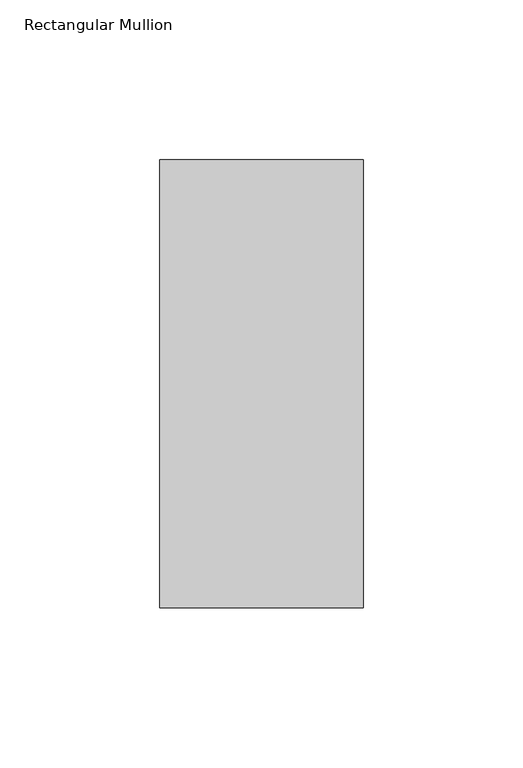
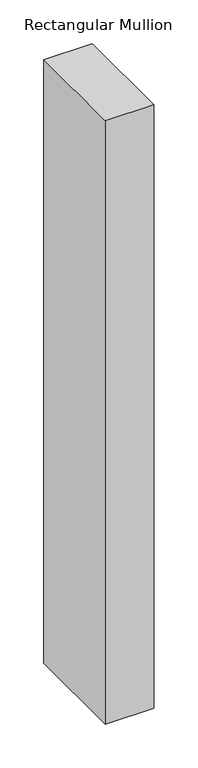
"""IFC4 building model written with IfcOpenShell, lengths in millimetres: member geometry, Rectangular Mullion."""

import ifcopenshell
import ifcopenshell.guid

model = None  # the IFC model being written
_history = None  # IfcOwnerHistory: only IFC2X3 demands one
_inside = {}  # id of a spatial element -> (the spatial element, [elements in it])
_under = {}  # id of a project, library or spatial element -> (it, [spatial elements below it])
_declared = {}  # id of a project -> (the project, [libraries it declares])
_typed = {}  # id of a type object -> (the type object, [elements of that type])
_made_of = {}  # id of a material, layer set ... -> (it, [elements and type objects made of it])


def new_model(schema):
    """Start an empty IFC model of exactly this schema.

    Asked for "IFC4X3", IfcOpenShell would pick the latest addendum, in which some entities
    have other attributes; the version numbers below select the first issue.
    IFC2X3 requires an IfcOwnerHistory on every rooted entity: one is made here for all.
    """
    global model, _history
    if schema == "IFC4X3":
        model = ifcopenshell.file(schema_version=(4, 3, 0, 0))
    else:
        model = ifcopenshell.file(schema=schema)
    _inside.clear()
    _under.clear()
    _declared.clear()
    _typed.clear()
    _made_of.clear()
    _history = None
    if model.schema == "IFC2X3":
        org = make("IfcOrganization", Name="unknown")
        user = make(
            "IfcPersonAndOrganization",
            ThePerson=make("IfcPerson", FamilyName="unknown"),
            TheOrganization=org,
        )
        app = make(
            "IfcApplication",
            ApplicationDeveloper=org,
            Version="unknown",
            ApplicationFullName="unknown",
            ApplicationIdentifier="unknown",
        )
        _history = make(
            "IfcOwnerHistory",
            OwningUser=user,
            OwningApplication=app,
            ChangeAction="ADDED",
            CreationDate=0,
        )
    return model


def make(cls, **values):
    """One entity of the class cls with the attributes given. An attribute that is None is left unset."""
    return model.create_entity(
        cls, **{name: value for name, value in values.items() if value is not None}
    )


def rooted(cls, **values):
    """An entity with a GlobalId (a new one), such as an element, a storey or a relation."""
    return make(cls, GlobalId=ifcopenshell.guid.new(), OwnerHistory=_history, **values)


def si_unit(unit_type, name, prefix=None):
    """IfcSIUnit, for example si_unit("LENGTHUNIT", "METRE", prefix="MILLI")."""
    return make("IfcSIUnit", UnitType=unit_type, Prefix=prefix, Name=name)


def assignment(units):
    """IfcUnitAssignment: the units of a project."""
    return None if units is None else make("IfcUnitAssignment", Units=units)


def point(xyz):
    """IfcCartesianPoint."""
    return None if xyz is None else make("IfcCartesianPoint", Coordinates=xyz)


def direction(xyz):
    """IfcDirection."""
    return None if xyz is None else make("IfcDirection", DirectionRatios=xyz)


def frame(location, z_axis=None, x_axis=None):
    """IfcAxis2Placement3D, a coordinate frame: its origin and axes. An axis left out is left unset."""
    return make(
        "IfcAxis2Placement3D",
        Location=point(location),
        Axis=direction(z_axis),
        RefDirection=direction(x_axis),
    )


def origin():
    """The frame at (0, 0, 0) with its axes left unset."""
    return frame((0.0, 0.0, 0.0))


def place(relative_to, where):
    """IfcLocalPlacement: puts the frame where relative to a parent placement (None: the world)."""
    return make(
        "IfcLocalPlacement", PlacementRelTo=relative_to, RelativePlacement=where
    )


def context(
    kind, dimensions, precision=None, world=None, true_north=None, identifier=None
):
    """IfcGeometricRepresentationContext, for example the 3D "Model" context."""
    return make(
        "IfcGeometricRepresentationContext",
        ContextIdentifier=identifier,
        ContextType=kind,
        CoordinateSpaceDimension=dimensions,
        Precision=precision,
        WorldCoordinateSystem=world,
        TrueNorth=true_north,
    )


def project(units=None, contexts=None):
    """IfcProject with its units and contexts."""
    return rooted(
        "IfcProject",
        Name="project",
        RepresentationContexts=contexts,
        UnitsInContext=assignment(units),
    )


def spatial(cls, under=None, at=None, **own):
    """A site, building, storey or space (cls), placed at a placement, below another one or the project."""
    s = rooted(cls, ObjectPlacement=at, **own)
    if under is not None:
        _under.setdefault(under.id(), (under, []))[1].append(s)
    return s


def polyline(points):
    """IfcPolyline through the points."""
    return make("IfcPolyline", Points=[point(p) for p in points])


def outline(outer, holes=None, kind="AREA"):
    """IfcArbitraryClosedProfileDef: a profile drawn as a closed curve; with holes, ...WithVoids."""
    if holes is None:
        return make("IfcArbitraryClosedProfileDef", ProfileType=kind, OuterCurve=outer)
    return make(
        "IfcArbitraryProfileDefWithVoids",
        ProfileType=kind,
        OuterCurve=outer,
        InnerCurves=holes,
    )


def extrude(swept, where, along, depth):
    """IfcExtrudedAreaSolid: the profile swept, set in the frame where, extruded along a direction by depth."""
    return make(
        "IfcExtrudedAreaSolid",
        SweptArea=swept,
        Position=where,
        ExtrudedDirection=direction(along),
        Depth=depth,
    )


def shape(context_of_items, identifier, shape_type, items):
    """IfcShapeRepresentation: the items that make up one representation, for example the "Body"."""
    return make(
        "IfcShapeRepresentation",
        ContextOfItems=context_of_items,
        RepresentationIdentifier=identifier,
        RepresentationType=shape_type,
        Items=items,
    )


def source(mapping_origin, context_of_items, identifier, shape_type, items):
    """IfcRepresentationMap: a shape defined once, which mapped items show again and again."""
    return make(
        "IfcRepresentationMap",
        MappingOrigin=mapping_origin,
        MappedRepresentation=shape(context_of_items, identifier, shape_type, items),
    )


def transform(
    local_origin,
    x_axis=None,
    y_axis=None,
    z_axis=None,
    scale=None,
    scale2=None,
    scale3=None,
    uniform=True,
):
    """IfcCartesianTransformationOperator3D, or its non-uniform kind. x_axis, y_axis, z_axis: its Axis1, 2, 3."""
    if uniform:
        return make(
            "IfcCartesianTransformationOperator3D",
            Axis1=direction(x_axis),
            Axis2=direction(y_axis),
            LocalOrigin=point(local_origin),
            Scale=scale,
            Axis3=direction(z_axis),
        )
    return make(
        "IfcCartesianTransformationOperator3DnonUniform",
        Axis1=direction(x_axis),
        Axis2=direction(y_axis),
        LocalOrigin=point(local_origin),
        Scale=scale,
        Axis3=direction(z_axis),
        Scale2=scale2,
        Scale3=scale3,
    )


def mapped(mapping_source, mapping_target):
    """IfcMappedItem: shows the shape of a source again, moved by a transform."""
    return make(
        "IfcMappedItem", MappingSource=mapping_source, MappingTarget=mapping_target
    )


def made_of(thing, what):
    """Note that an element or type object is made of a material, layer set ...; save() writes the relation."""
    if what is not None:
        _made_of.setdefault(what.id(), (what, []))[1].append(thing)
    return thing


def element(
    cls,
    number,
    at=None,
    inside=None,
    cuts=None,
    type_object=None,
    material=None,
    context=None,
    identifier="Body",
    shape_type=None,
    held_by="IfcProductDefinitionShape",
    body=None,
    shapes=None,
    **own,
):
    """One element of the class cls, such as IfcWall. Its Tag is "e" and its number.

    at: its placement. inside: the storey or other place that contains it. cuts: it is an
    opening in that element (IfcRelVoidsElement). A single representation is given by context,
    identifier, shape_type and body (its items); several are given by shapes. held_by: the class
    of the entity that holds the representations. save() writes the other relations.
    """
    e = rooted(cls, Tag="e%d" % number, ObjectPlacement=at, **own)
    if body is not None:
        shapes = [shape(context, identifier, shape_type, body)]
    if shapes is not None:
        e.Representation = make(held_by, Representations=shapes)
    if inside is not None:
        _inside.setdefault(inside.id(), (inside, []))[1].append(e)
    if cuts is not None:
        rooted(
            "IfcRelVoidsElement", RelatingBuildingElement=cuts, RelatedOpeningElement=e
        )
    if type_object is not None:
        _typed.setdefault(type_object.id(), (type_object, []))[1].append(e)
    return made_of(e, material)


def aggregate(whole, parts):
    """IfcRelAggregates: a whole, such as a stair, and the parts it consists of."""
    return rooted("IfcRelAggregates", RelatingObject=whole, RelatedObjects=parts)


def save(model, path):
    """Write the relations noted so far, then the file.

    IfcRelAggregates (storeys below a building ...), IfcRelContainedInSpatialStructure (elements
    in a storey), IfcRelDefinesByType, IfcRelAssociatesMaterial and IfcRelDeclares: one each for
    every whole, place, type object, material and project.
    """
    for whole, parts in _under.values():
        aggregate(whole, parts)
    for where, things in _inside.values():
        rooted(
            "IfcRelContainedInSpatialStructure",
            RelatedElements=things,
            RelatingStructure=where,
        )
    for kind, things in _typed.values():
        rooted("IfcRelDefinesByType", RelatedObjects=things, RelatingType=kind)
    for what, things in _made_of.values():
        rooted("IfcRelAssociatesMaterial", RelatedObjects=things, RelatingMaterial=what)
    for by, libraries in _declared.values():
        rooted("IfcRelDeclares", RelatingContext=by, RelatedDefinitions=libraries)
    model.write(path)


def rectangular_mullion_deb401b5(model_context):
    return source(origin(), model_context, "Body", "SweptSolid", [
        extrude(outline(polyline([(-31.75, 190.7881313), (31.75, 190.7881313), (31.75, 50.820278), (-31.75, 50.820278), (-31.75, 190.7881313)])), frame((0.0, 0.0, -838.1999984), z_axis=(0.0, 0.0, 1.0), x_axis=(1.0, 0.0, 0.0)), (0.0, 0.0, 1.0), 838.1999984),
    ])


if __name__ == "__main__":
    model = new_model("IFC4")
    model_context = context("Model", 3, world=origin())
    ifc_project = project(units=[si_unit("LENGTHUNIT", "METRE", prefix="MILLI")], contexts=[model_context])
    site = spatial("IfcSite", under=ifc_project)
    building = spatial("IfcBuilding", under=site)
    placement = place(None, origin())
    rectangular_mullion_shape = rectangular_mullion_deb401b5(model_context)
    element("IfcMember", 1, ObjectType="Rectangular Mullion", at=placement, inside=building, context=model_context, shape_type="MappedRepresentation", body=[
        mapped(rectangular_mullion_shape, transform((0.0, 0.0, 0.0), x_axis=(1.0, 0.0, 0.0), y_axis=(0.0, 1.0, 0.0), z_axis=(0.0, 0.0, 1.0))),
    ])
    save(model, "model.ifc")
